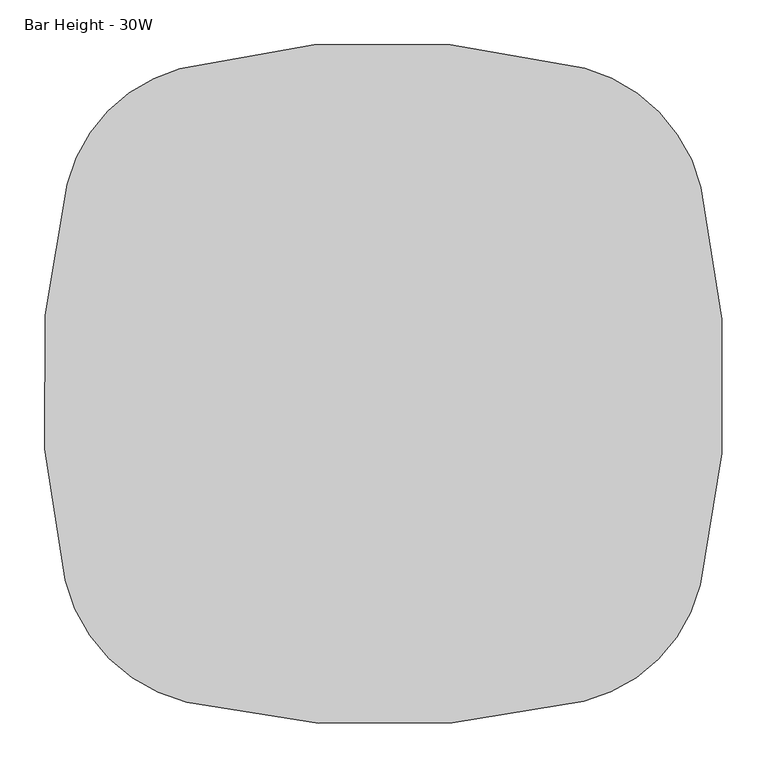
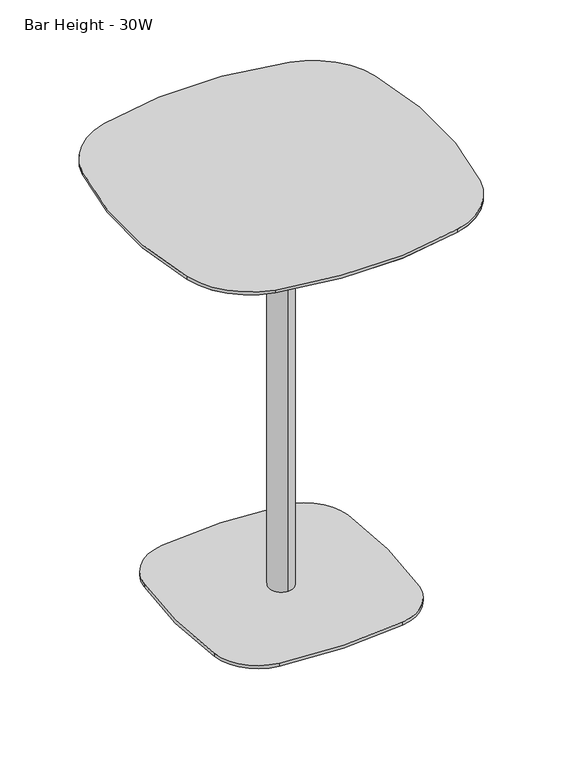
"""IFC4 building model written with IfcOpenShell, lengths in millimetres: furniture geometry, Bar Height - 30W."""

from ifc_helpers import new_model, si_unit, point, frame, frame_2d, origin, origin_with_axes, place, context, project, spatial, polyline, circle_curve, trimmed, segment, composite_curve, outline, extrude, source, transform, mapped, element, save
from ifc_brep_helpers import plane_surface, cylinder_surface, revolved_surface, advanced_brep


def bar_height_30w_13286742(model_context):
    return source(origin(), model_context, "Body", "SolidModel", [
        extrude(outline(composite_curve([segment(trimmed(circle_curve(frame_2d((200.7777941, -200.6143905)), 14.5931535), [point((215.3709476, -200.6143905))], [point((186.1846407, -200.6143905))], False, "CARTESIAN"), True, "CONTINUOUS"), segment(trimmed(circle_curve(frame_2d((200.7777941, -200.6143905)), 14.5931535), [point((186.1846407, -200.6143905))], [point((215.3709476, -200.6143905))], False, "CARTESIAN"), True, "CONTINUOUS")], self_intersect=False)), origin_with_axes(), (0.0, 0.0, 1.0), 12.0681503),
        extrude(outline(composite_curve([segment(trimmed(circle_curve(frame_2d((561.2222059, -200.6143905)), 14.5931535), [point((575.8153593, -200.6143905))], [point((546.6290524, -200.6143905))], False, "CARTESIAN"), True, "CONTINUOUS"), segment(trimmed(circle_curve(frame_2d((561.2222059, -200.6143905)), 14.5931535), [point((546.6290524, -200.6143905))], [point((575.8153593, -200.6143905))], False, "CARTESIAN"), True, "CONTINUOUS")], self_intersect=False)), origin_with_axes(), (0.0, 0.0, 1.0), 12.0681503),
        extrude(outline(composite_curve([segment(trimmed(circle_curve(frame_2d((200.7777941, -561.3856095)), 14.5931535), [point((215.3709476, -561.3856095))], [point((186.1846407, -561.3856095))], False, "CARTESIAN"), True, "CONTINUOUS"), segment(trimmed(circle_curve(frame_2d((200.7777941, -561.3856095)), 14.5931535), [point((186.1846407, -561.3856095))], [point((215.3709476, -561.3856095))], False, "CARTESIAN"), True, "CONTINUOUS")], self_intersect=False)), origin_with_axes(), (0.0, 0.0, 1.0), 12.0681503),
        extrude(outline(composite_curve([segment(trimmed(circle_curve(frame_2d((561.2222059, -561.3856095)), 14.5931535), [point((575.8153593, -561.3856095))], [point((546.6290524, -561.3856095))], False, "CARTESIAN"), True, "CONTINUOUS"), segment(trimmed(circle_curve(frame_2d((561.2222059, -561.3856095)), 14.5931535), [point((546.6290524, -561.3856095))], [point((575.8153593, -561.3856095))], False, "CARTESIAN"), True, "CONTINUOUS")], self_intersect=False)), origin_with_axes(), (0.0, 0.0, 1.0), 12.0681503),
        extrude(outline(composite_curve([segment(trimmed(circle_curve(frame_2d((515.9325388, -246.1682383)), 114.3), [point((531.9555748, -132.9968978))], [point((629.1038793, -230.1452024))], False, "CARTESIAN"), True, "CONTINUOUS"), segment(trimmed(circle_curve(frame_2d((-436.38956, -381.0)), 1076.1196212), [point((629.1038793, -230.1452024))], [point((629.1038793, -531.8547976))], False, "CARTESIAN"), True, "CONTINUOUS"), segment(trimmed(circle_curve(frame_2d((515.9325388, -515.8317617)), 114.3), [point((629.1038793, -531.8547976))], [point((531.9555748, -629.0031022))], False, "CARTESIAN"), True, "CONTINUOUS"), segment(trimmed(circle_curve(frame_2d((381.1007771, 436.4903371)), 1076.1196212), [point((531.9555748, -629.0031022))], [point((232.4349074, -629.3107224))], False, "CARTESIAN"), True, "CONTINUOUS"), segment(trimmed(circle_curve(frame_2d((248.5871485, -513.5136286)), 116.9181843), [point((232.4349074, -629.3107224))], [point((132.7900548, -529.6658697))], False, "CARTESIAN"), True, "CONTINUOUS"), segment(trimmed(circle_curve(frame_2d((1198.5911142, -381.0)), 1076.1196212), [point((132.7900548, -529.6658697))], [point((132.3557192, -235.4818861))], False, "CARTESIAN"), True, "CONTINUOUS"), segment(trimmed(circle_curve(frame_2d((251.8975413, -251.7967642)), 120.65), [point((132.3557192, -235.4818861))], [point((235.5826632, -132.254942))], False, "CARTESIAN"), True, "CONTINUOUS"), segment(trimmed(circle_curve(frame_2d((381.1007771, -1198.4903371)), 1076.1196212), [point((235.5826632, -132.254942))], [point((531.9555748, -132.9968978))], False, "CARTESIAN"), True, "CONTINUOUS")], self_intersect=False)), frame((0.0, 0.0, 12.0681503), z_axis=(0.0, 0.0, 1.0), x_axis=(1.0, 0.0, 0.0)), (0.0, 0.0, 1.0), 7.874),
        advanced_brep(
        [(381.0, -410.8613798, 1030.4223999), (381.0, -351.1386202, 1030.4223999), (381.0, -204.5080839, 1051.1439789), (381.0, -557.4919161, 1051.1439789), (381.0, -381.0, 1030.4223999), (381.0, -557.4919161, 1054.0282142), (381.0, -204.5080839, 1054.0282142), (381.0, -381.0, 1054.0282142)],
        [
            (0, 1, circle_curve(frame((381.0, -381.0, 1030.4223999), z_axis=(0.0, 0.0, 1.0), x_axis=(0.0, 1.0, 0.0)), 29.8613798)),
            (1, 2),
            (2, 3, circle_curve(frame((381.0, -381.0, 1051.1439789), z_axis=(0.0, 0.0, -1.0), x_axis=(0.0, 1.0, 0.0)), 176.4919161)),
            (3, 0),
            (1, 0, circle_curve(frame((381.0, -381.0, 1030.4223999), z_axis=(0.0, 0.0, 1.0), x_axis=(0.0, 1.0, 0.0)), 29.8613798)),
            (3, 2, circle_curve(frame((381.0, -381.0, 1051.1439789), z_axis=(0.0, 0.0, -1.0), x_axis=(0.0, 1.0, 0.0)), 176.4919161)),
            (4, 1),
            (0, 4),
            (5, 6, circle_curve(frame((381.0, -381.0, 1054.0282142), z_axis=(0.0, 0.0, 1.0), x_axis=(0.0, 1.0, 0.0)), 176.4919161)),
            (6, 7),
            (7, 5),
            (6, 5, circle_curve(frame((381.0, -381.0, 1054.0282142), z_axis=(0.0, 0.0, 1.0), x_axis=(0.0, 1.0, 0.0)), 176.4919161)),
            (2, 6),
            (5, 3),
        ],
        [
            revolved_surface(polyline([(381.0, -204.5080839, 1051.1439789), (381.0, -351.1386202, 1030.4223999)]), (381.0, -381.0, 1042.225307), (0.0, 0.0, -1.0)),
            plane_surface(frame((381.0, -381.0, 1030.4223999), z_axis=(0.0, 0.0, -1.0), x_axis=(0.0, 1.0, 0.0))),
            plane_surface(frame((381.0, -381.0, 1054.0282142), z_axis=(0.0, 0.0, 1.0), x_axis=(0.0, 1.0, 0.0))),
            cylinder_surface(frame((381.0, -381.0, 1042.225307), z_axis=(0.0, 0.0, -1.0), x_axis=(0.0, 1.0, 0.0)), 176.4919161),
        ],
        [
            (0, [[1, 2, 3, 4]]),
            (0, [[5, -4, 6, -2]]),
            (1, [[7, -1, 8]]),
            (1, [[-8, -5, -7]]),
            (2, [[9, 10, 11]]),
            (2, [[12, -11, -10]]),
            (3, [[-3, 13, -9, 14]]),
            (3, [[-6, -14, -12, -13]]),
        ],
    ),
        extrude(outline(composite_curve([segment(trimmed(circle_curve(frame_2d((562.041712, -562.0364102)), 177.8), [point((734.6444668, -604.711099))], [point((604.6348721, -734.6593018))], False, "CARTESIAN"), True, "CONTINUOUS"), segment(trimmed(circle_curve(frame_2d((381.0008599, 171.6916196)), 933.5331618), [point((604.6348721, -734.6593018))], [point((161.353241, -735.6336185))], False, "CARTESIAN"), True, "CONTINUOUS"), segment(trimmed(circle_curve(frame_2d((204.6812241, -556.6534286)), 184.15), [point((161.353241, -735.6336185))], [point((25.5793002, -599.4754249))], False, "CARTESIAN"), True, "CONTINUOUS"), segment(trimmed(circle_curve(frame_2d((933.155194, -382.4804828)), 933.1563685), [point((25.5793002, -599.4754249))], [point((27.6449109, -157.0210958))], False, "CARTESIAN"), True, "CONTINUOUS"), segment(trimmed(circle_curve(frame_2d((200.1773329, -199.9792541)), 177.8), [point((27.6449109, -157.0210958))], [point((153.624409, -28.3818611))], False, "CARTESIAN"), True, "CONTINUOUS"), segment(trimmed(circle_curve(frame_2d((380.6603729, -865.2525935)), 867.1204944), [point((153.624409, -28.3818611))], [point((605.7217641, -27.8486755))], False, "CARTESIAN"), True, "CONTINUOUS"), segment(trimmed(circle_curve(frame_2d((558.421215, -203.8436115)), 182.2403891), [point((605.7217641, -27.8486755))], [point((735.5022847, -160.7872045))], False, "CARTESIAN"), True, "CONTINUOUS"), segment(trimmed(circle_curve(frame_2d((-170.1816478, -380.9998789)), 932.0713533), [point((735.5022847, -160.7872045))], [point((734.6444668, -604.711099))], False, "CARTESIAN"), True, "CONTINUOUS")], self_intersect=False)), frame((0.0, 0.0, 1059.247009), z_axis=(0.0, 0.0, 1.0), x_axis=(1.0, 0.0, 0.0)), (0.0, 0.0, 1.0), 7.552991),
        extrude(outline(composite_curve([segment(trimmed(circle_curve(frame_2d((381.0, -381.0)), 29.8613798), [point((381.0, -410.8613798))], [point((381.0, -351.1386202))], False, "CARTESIAN"), True, "CONTINUOUS"), segment(trimmed(circle_curve(frame_2d((381.0, -381.0)), 29.8613798), [point((381.0, -351.1386202))], [point((381.0, -410.8613798))], False, "CARTESIAN"), True, "CONTINUOUS")], self_intersect=False)), frame((0.0, 0.0, 19.9421503), z_axis=(0.0, 0.0, 1.0), x_axis=(1.0, 0.0, 0.0)), (0.0, 0.0, 1.0), 1010.4802496),
        advanced_brep(
        [(601.5925035, -722.3290953, 1054.0282142), (164.3413778, -723.2901571, 1054.0282142), (37.931157, -596.5221838, 1054.0282142), (39.9686554, -160.0895356, 1054.0282142), (156.9496179, -40.6388177, 1054.0282142), (602.4254752, -40.1134413, 1054.0282142), (723.1618283, -163.7877269, 1054.0282142), (722.3156986, -601.6629069, 1054.0282142), (604.6348721, -734.6593018, 1059.247009), (734.6444668, -604.711099, 1059.247009), (735.5022847, -160.7872045, 1059.247009), (605.7217641, -27.8486755, 1059.247009), (153.624409, -28.3818611, 1059.247009), (27.6449109, -157.0210958, 1059.247009), (25.5793002, -599.4754249, 1059.247009), (161.353241, -735.6336185, 1059.247009)],
        [
            (0, 1, circle_curve(frame((381.0008599, 171.6916196, 1054.0282142), z_axis=(0.0, 0.0, -1.0), x_axis=(0.2395565806340401, -0.9708824051732148, 0.0)), 920.8331618)),
            (1, 2, circle_curve(frame((204.6812241, -556.6534286, 1054.0282142), z_axis=(0.0, 0.0, -1.0), x_axis=(-0.23528635931038494, -0.9719260924177643, 0.0)), 171.45)),
            (2, 3, circle_curve(frame((933.155194, -382.4804828, 1054.0282142), z_axis=(0.0, 0.0, -1.0), x_axis=(-0.9725871510061292, -0.23253867140280296, 0.0)), 920.4563685)),
            (3, 4, circle_curve(frame((200.1773329, -199.9792541, 1054.0282142), z_axis=(0.0, 0.0, -1.0), x_axis=(-0.9703735769410647, 0.24160943933257975, 0.0)), 165.1)),
            (4, 5, circle_curve(frame((380.6603729, -865.2525935, 1054.0282142), z_axis=(0.0, 0.0, -1.0), x_axis=(-0.26182746851633276, 0.9651146961529126, 0.0)), 854.4204944)),
            (5, 6, circle_curve(frame((558.421215, -203.8436115, 1054.0282142), z_axis=(0.0, 0.0, -1.0), x_axis=(0.2595503077430149, 0.9657295883167846, 0.0)), 169.5403891)),
            (6, 7, circle_curve(frame((-170.1816478, -380.9998789, 1054.0282142), z_axis=(0.0, 0.0, -1.0), x_axis=(0.9716894842382175, 0.2362616054733962, 0.0)), 919.3713533)),
            (7, 0, circle_curve(frame((562.041712, -562.0364102, 1054.0282142), z_axis=(0.0, 0.0, -1.0), x_axis=(0.9707691491510864, -0.24001512255788338, 0.0)), 165.1)),
            (8, 9, circle_curve(frame((562.041712, -562.0364102, 1059.247009), z_axis=(0.0, 0.0, 1.0), x_axis=(0.9707691491510864, -0.24001512255788338, 0.0)), 177.8)),
            (9, 10, circle_curve(frame((-170.1816478, -380.9998789, 1059.247009), z_axis=(0.0, 0.0, 1.0), x_axis=(0.9716894842382175, 0.2362616054733962, 0.0)), 932.0713533)),
            (10, 11, circle_curve(frame((558.421215, -203.8436115, 1059.247009), z_axis=(0.0, 0.0, 1.0), x_axis=(0.2595503077430149, 0.9657295883167846, 0.0)), 182.2403891)),
            (11, 12, circle_curve(frame((380.6603729, -865.2525935, 1059.247009), z_axis=(0.0, 0.0, 1.0), x_axis=(-0.26182746851633276, 0.9651146961529126, 0.0)), 867.1204944)),
            (12, 13, circle_curve(frame((200.1773329, -199.9792541, 1059.247009), z_axis=(0.0, 0.0, 1.0), x_axis=(-0.9703735769410647, 0.24160943933257975, 0.0)), 177.8)),
            (13, 14, circle_curve(frame((933.155194, -382.4804828, 1059.247009), z_axis=(0.0, 0.0, 1.0), x_axis=(-0.9725871510061292, -0.23253867140280296, 0.0)), 933.1563685)),
            (14, 15, circle_curve(frame((204.6812241, -556.6534286, 1059.247009), z_axis=(0.0, 0.0, 1.0), x_axis=(-0.23528635931038494, -0.9719260924177643, 0.0)), 184.15)),
            (15, 8, circle_curve(frame((381.0008599, 171.6916196, 1059.247009), z_axis=(0.0, 0.0, 1.0), x_axis=(0.2395565806340401, -0.9708824051732148, 0.0)), 933.5331618)),
            (15, 1),
            (0, 8),
            (14, 2),
            (13, 3),
            (12, 4),
            (11, 5),
            (10, 6),
            (9, 7),
        ],
        [
            plane_surface(frame((381.0857892, -381.0542331, 1054.0282142), z_axis=(0.0, 0.0, -1.0000000000000002), x_axis=(-0.23626160547338926, 0.9716894842382193, 0.0))),
            plane_surface(frame((381.0881561, -381.0647851, 1059.247009), z_axis=(0.0, 0.0, 1.0000000000000002), x_axis=(-0.23626160547338926, 0.9716894842382193, 0.0))),
            revolved_surface(polyline([(601.5925035389592, -722.3290953103374, 1054.0282142), (604.6348721, -734.6593018, 1059.247009)]), (381.0008599, 171.6916196, 675.6314159), (0.0, 0.0, 1.0)),
            revolved_surface(polyline([(164.34137775367083, -723.2901571765217, 1054.0282142), (161.353241, -735.6336185, 1059.247009)]), (204.6812241, -556.6534286, 983.5744841), (0.0, 0.0, 1.0)),
            revolved_surface(polyline([(37.93115696454288, -596.5221837862159, 1054.0282142), (25.579300200000034, -599.4754249, 1059.247009)]), (933.155194, -382.4804828, 675.7862512), (0.0, 0.0, 1.0)),
            revolved_surface(polyline([(39.968655277969305, -160.08953566597222, 1054.0282142), (27.644910900000013, -157.0210958, 1059.247009)]), (200.1773329, -199.9792541, 986.1838815), (0.0, 0.0, 1.0)),
            revolved_surface(polyline([(156.9496178352142, -40.63881768743465, 1054.0282142), (153.624409, -28.381861100000037, 1059.247009)]), (380.6603729, -865.2525935, 702.9222888), (0.0, 0.0, 1.0)),
            revolved_surface(polyline([(602.425475206201, -40.113441214985386, 1054.0282142), (605.7217641, -27.848675500000013, 1059.247009)]), (558.421215, -203.8436115, 984.359198), (0.0, 0.0, 1.0)),
            revolved_surface(polyline([(723.1618283035225, -163.787726877474, 1054.0282142), (735.5022847, -160.7872045, 1059.247009)]), (-170.1816478, -380.9998789, 676.2321151), (0.0, 0.0, 1.0)),
            revolved_surface(polyline([(722.3156986506228, -601.6629069553733, 1054.0282142), (734.6444668, -604.711099, 1059.247009)]), (562.041712, -562.0364102, 986.1838815), (0.0, 0.0, 1.0)),
        ],
        [
            (0, [[1, 2, 3, 4, 5, 6, 7, 8]]),
            (1, [[9, 10, 11, 12, 13, 14, 15, 16]]),
            (2, [[-16, 17, -1, 18]]),
            (3, [[-15, 19, -2, -17]]),
            (4, [[-14, 20, -3, -19]]),
            (5, [[-13, 21, -4, -20]]),
            (6, [[-12, 22, -5, -21]]),
            (7, [[-11, 23, -6, -22]]),
            (8, [[-10, 24, -7, -23]]),
            (9, [[-9, -18, -8, -24]]),
        ],
    ),
    ])


if __name__ == "__main__":
    model = new_model("IFC4")
    model_context = context("Model", 3, world=origin())
    ifc_project = project(units=[si_unit("LENGTHUNIT", "METRE", prefix="MILLI")], contexts=[model_context])
    site = spatial("IfcSite", under=ifc_project)
    building = spatial("IfcBuilding", under=site)
    placement = place(None, origin())
    bar_height_30w_shape = bar_height_30w_13286742(model_context)
    element("IfcFurniture", 1, ObjectType="Bar Height - 30W", at=placement, inside=building, context=model_context, shape_type="MappedRepresentation", body=[
        mapped(bar_height_30w_shape, transform((0.0, 0.0, 0.0), x_axis=(1.0, 0.0, 0.0), y_axis=(0.0, 1.0, 0.0), z_axis=(0.0, 0.0, 1.0))),
    ])
    save(model, "model.ifc")
